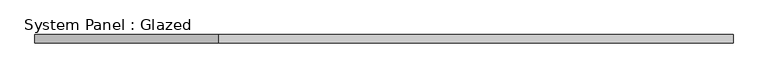
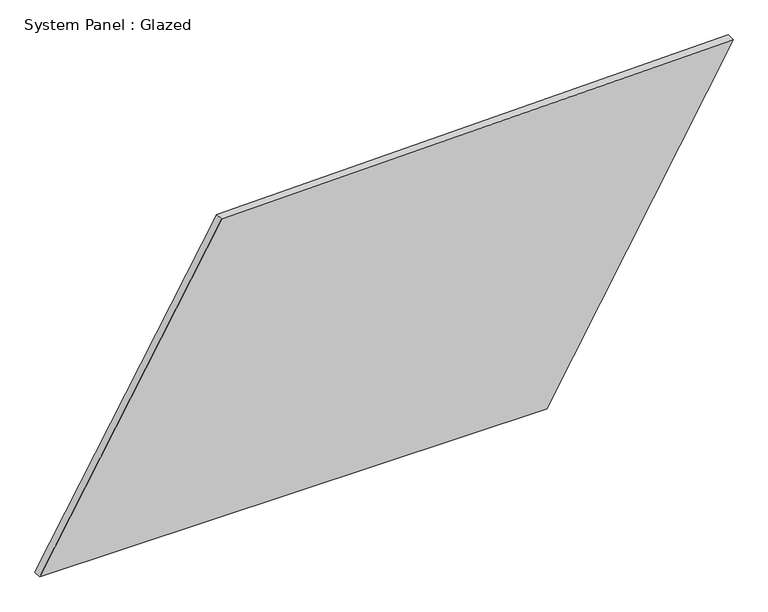
"""IFC4 building model written with IfcOpenShell, lengths in millimetres: plate geometry, System Panel : Glazed."""

from ifc_helpers import new_model, si_unit, frame, origin, place, context, project, spatial, polyline, outline, extrude, source, transform, mapped, element, save


def system_panel_glazed_3c832ed5(model_context):
    return source(origin(), model_context, "Body", "SweptSolid", [
        extrude(outline(polyline([(0.0, -1063.1942737), (0.0, 491.176366), (998.6690696, 1063.1942737), (964.666857, -505.3962655), (0.0, -1063.1942737)])), frame((0.0, -49.5, 0.0), z_axis=(0.0, 1.0, 0.0), x_axis=(0.0, 0.0, 1.0)), (0.0, 0.0, 1.0), 25.0),
    ])


if __name__ == "__main__":
    model = new_model("IFC4")
    model_context = context("Model", 3, world=origin())
    ifc_project = project(units=[si_unit("LENGTHUNIT", "METRE", prefix="MILLI")], contexts=[model_context])
    site = spatial("IfcSite", under=ifc_project)
    building = spatial("IfcBuilding", under=site)
    placement = place(None, origin())
    system_panel_glazed_shape = system_panel_glazed_3c832ed5(model_context)
    element("IfcPlate", 1, ObjectType="System Panel : Glazed", at=placement, inside=building, context=model_context, shape_type="MappedRepresentation", body=[
        mapped(system_panel_glazed_shape, transform((0.0, 0.0, 0.0), x_axis=(1.0, 0.0, 0.0), y_axis=(0.0, 1.0, 0.0), z_axis=(0.0, 0.0, 1.0))),
    ])
    save(model, "model.ifc")
